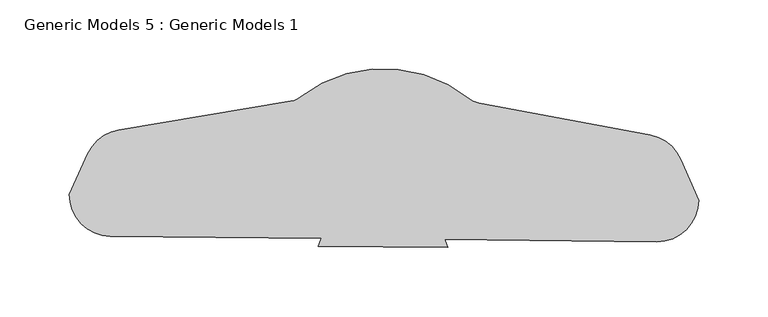
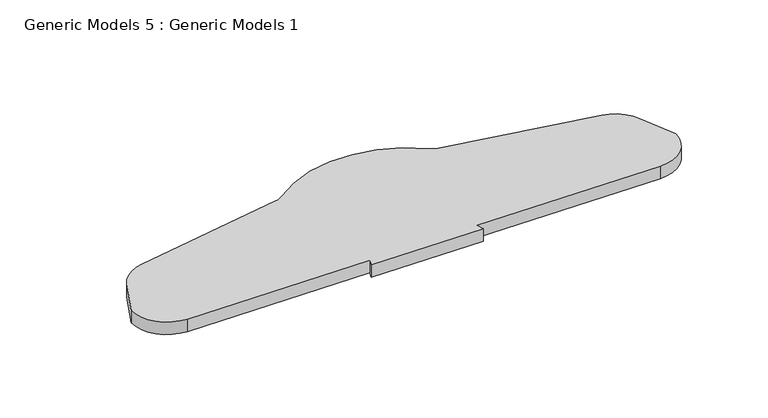
"""IFC4 building model written with IfcOpenShell, lengths in millimetres: proxy geometry, Generic Models 5 : Generic Models 1."""

from ifc_helpers import new_model, si_unit, point, frame, frame_2d, origin, place, context, project, spatial, polyline, circle_curve, trimmed, segment, composite_curve, outline, extrude, source, transform, mapped, element, save


def generic_models_5_generic_models_1_859baf44(model_context):
    return source(origin(), model_context, "Body", "SweptSolid", [
        extrude(outline(composite_curve([segment(polyline([(31388.71935, -15561.9653567), (31512.8358282, -15541.3249885)]), True, "CONTINUOUS"), segment(trimmed(circle_curve(frame_2d((31510.3751459, -15526.5281969)), 15.0), [point((31512.8358282, -15541.3249885))], [point((31519.5651616, -15538.383306))], True, "CARTESIAN"), True, "CONTINUOUS"), segment(trimmed(circle_curve(frame_2d((31579.8917293, -15616.2045049)), 98.4653938), [point((31519.5651616, -15538.383306))], [point((31641.7673277, -15539.6091781))], False, "CARTESIAN"), True, "CONTINUOUS"), segment(trimmed(circle_curve(frame_2d((31651.1933193, -15527.9408157)), 15.0), [point((31641.7673277, -15539.6091781))], [point((31648.4362937, -15542.6852658))], True, "CARTESIAN"), True, "CONTINUOUS"), segment(polyline([(31648.4362937, -15542.6852658), (31772.1137281, -15565.8113808)]), True, "CONTINUOUS"), segment(trimmed(circle_curve(frame_2d((31766.5996769, -15595.300281)), 30.0), [point((31772.1137281, -15565.8113808))], [point((31794.114244, -15583.3441697))], False, "CARTESIAN"), True, "CONTINUOUS"), segment(polyline([(31794.114244, -15583.3441697), (31807.0100864, -15613.0213371)]), True, "CONTINUOUS"), segment(trimmed(circle_curve(frame_2d((31777.0115957, -15612.720407)), 30.0), [point((31807.0100864, -15613.0213371))], [point((31776.7106656, -15642.7188976))], False, "CARTESIAN"), True, "CONTINUOUS"), segment(polyline([(31776.7106656, -15642.7188976), (31623.8171917, -15641.1851454), (31625.9090173, -15646.9342001), (31532.4414469, -15645.9965793), (31534.6481833, -15640.2906457), (31382.580496, -15638.7651774)]), True, "CONTINUOUS"), segment(trimmed(circle_curve(frame_2d((31382.8814261, -15608.7666867)), 30.0), [point((31382.580496, -15638.7651774))], [point((31352.8829355, -15608.4657566))], False, "CARTESIAN"), True, "CONTINUOUS"), segment(polyline([(31352.8829355, -15608.4657566), (31366.3715363, -15579.0532649)]), True, "CONTINUOUS"), segment(trimmed(circle_curve(frame_2d((31393.6407147, -15591.5589399)), 30.0), [point((31366.3715363, -15579.0532649))], [point((31388.71935, -15561.9653567))], False, "CARTESIAN"), True, "CONTINUOUS")], self_intersect=False)), frame((0.0, 0.0, 850.0), z_axis=(0.0, 0.0, 1.0), x_axis=(1.0, 0.0, 0.0)), (0.0, 0.0, 1.0), 11.1715949),
    ])


if __name__ == "__main__":
    model = new_model("IFC4")
    model_context = context("Model", 3, world=origin())
    ifc_project = project(units=[si_unit("LENGTHUNIT", "METRE", prefix="MILLI")], contexts=[model_context])
    site = spatial("IfcSite", under=ifc_project)
    building = spatial("IfcBuilding", under=site)
    placement = place(None, origin())
    generic_models_5_generic_models_1_shape = generic_models_5_generic_models_1_859baf44(model_context)
    element("IfcBuildingElementProxy", 1, Name="Generic Models 5 : Generic Models 1", ObjectType="Generic Models 5 : Generic Models 1", at=placement, inside=building, context=model_context, shape_type="MappedRepresentation", body=[
        mapped(generic_models_5_generic_models_1_shape, transform((0.0, 0.0, 0.0), x_axis=(1.0, 0.0, 0.0), y_axis=(0.0, 1.0, 0.0), z_axis=(0.0, 0.0, 1.0))),
    ])
    save(model, "model.ifc")
